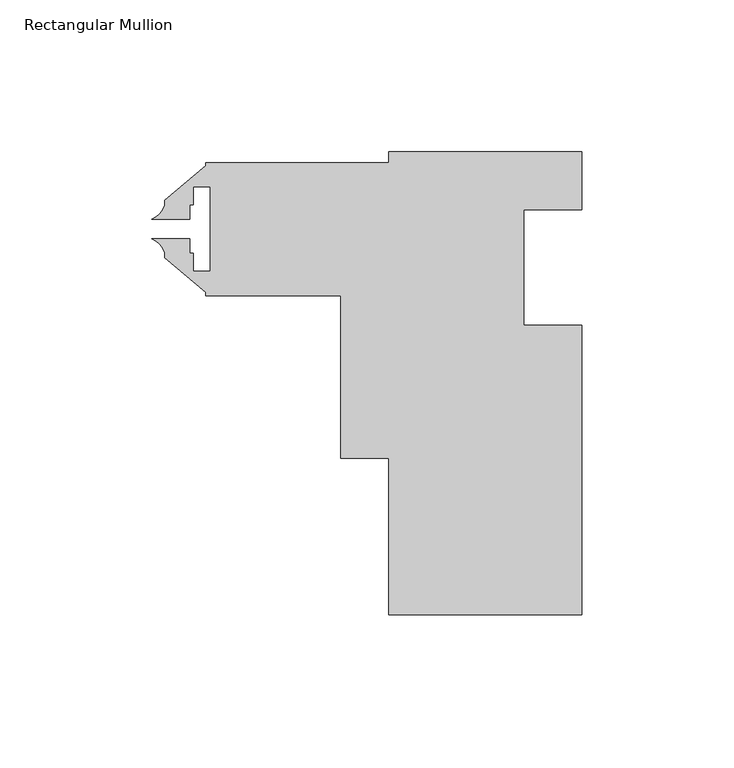
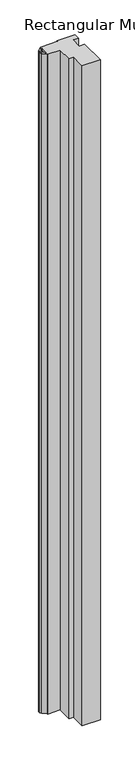
"""IFC4 building model written with IfcOpenShell, lengths in millimetres: member geometry, Rectangular Mullion."""

from ifc_helpers import new_model, si_unit, point, frame, frame_2d, origin, place, context, project, spatial, polyline, circle_curve, trimmed, segment, composite_curve, outline, extrude, source, transform, mapped, element, save


def rectangular_mullion_760adb7f(model_context):
    return source(origin(), model_context, "Body", "SweptSolid", [
        extrude(outline(composite_curve([segment(polyline([(31.4325, -57.15), (31.4325, -152.4), (-32.0675, -152.4), (-32.0675, -100.8126375), (-47.9425, -100.8126375), (-47.9425, -47.2948), (-92.3925, -47.2948), (-92.3925, -46.2282933), (-105.8545, -34.932334), (-105.8545, -33.2441997)]), True, "CONTINUOUS"), segment(trimmed(circle_curve(frame_2d((-113.2305024, -35.6343561)), 7.7535965), [point((-105.8545, -33.2441997))], [point((-110.0523084, -28.5620621))], True, "CARTESIAN"), True, "CONTINUOUS"), segment(polyline([(-110.0523084, -28.5620621), (-97.55973, -28.5620621), (-97.55973, -33.3248), (-96.4311, -33.3248), (-96.4311, -39.2938), (-90.8177, -39.2938), (-90.8177, -11.5062), (-96.4311, -11.5062), (-96.4311, -17.4752), (-97.55973, -17.4752), (-97.55973, -22.2379445), (-110.0523231, -22.2379445)]), True, "CONTINUOUS"), segment(trimmed(circle_curve(frame_2d((-113.2305024, -15.1656439)), 7.7535965), [point((-110.0523231, -22.2379445))], [point((-105.8545, -17.5558003))], True, "CARTESIAN"), True, "CONTINUOUS"), segment(polyline([(-105.8545, -17.5558003), (-105.8545, -15.867666), (-92.3925, -4.5717067), (-92.3925, -3.5052), (-32.0675, -3.5052), (-32.0675, 0.0), (31.4325, 0.0), (31.4325, -19.05), (12.3825, -19.05), (12.3825, -57.15), (31.4325, -57.15)]), True, "CONTINUOUS")], self_intersect=False)), frame((0.0, 0.0, -2438.4), z_axis=(0.0, 0.0, 1.0), x_axis=(1.0, 0.0, 0.0)), (0.0, 0.0, 1.0), 2438.4),
    ])


if __name__ == "__main__":
    model = new_model("IFC4")
    model_context = context("Model", 3, world=origin())
    ifc_project = project(units=[si_unit("LENGTHUNIT", "METRE", prefix="MILLI")], contexts=[model_context])
    site = spatial("IfcSite", under=ifc_project)
    building = spatial("IfcBuilding", under=site)
    placement = place(None, origin())
    rectangular_mullion_shape = rectangular_mullion_760adb7f(model_context)
    element("IfcMember", 1, ObjectType="Rectangular Mullion", at=placement, inside=building, context=model_context, shape_type="MappedRepresentation", body=[
        mapped(rectangular_mullion_shape, transform((0.0, 0.0, 0.0), x_axis=(1.0, 0.0, 0.0), y_axis=(0.0, 1.0, 0.0), z_axis=(0.0, 0.0, 1.0))),
    ])
    save(model, "model.ifc")
